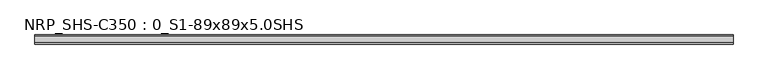
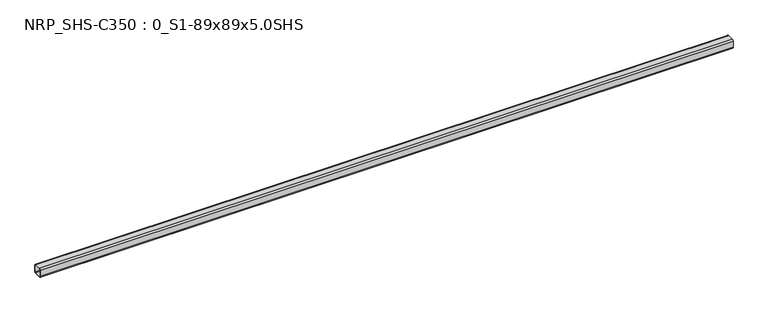
"""IFC4 building model written with IfcOpenShell, lengths in millimetres: beam geometry, NRP_SHS-C350 : 0_S1-89x89x5.0SHS."""

from ifc_helpers import new_model, si_unit, point, frame, frame_2d, origin, place, context, project, spatial, polyline, circle_curve, trimmed, segment, composite_curve, outline, extrude, source, transform, mapped, element, save


def nrp_shs_c350_0_s1_89x89x5_0shs_b3d3ae6e(model_context):
    return source(origin(), model_context, "Body", "SweptSolid", [
        extrude(outline(composite_curve([segment(trimmed(circle_curve(frame_2d((-32.0, 32.0)), 12.5), [point((-44.5, 32.0))], [point((-32.0, 44.5))], False, "CARTESIAN"), True, "CONTINUOUS"), segment(polyline([(-32.0, 44.5), (32.0, 44.5)]), True, "CONTINUOUS"), segment(trimmed(circle_curve(frame_2d((32.0, 32.0)), 12.5), [point((32.0, 44.5))], [point((44.5, 32.0))], False, "CARTESIAN"), True, "CONTINUOUS"), segment(polyline([(44.5, 32.0), (44.5, -32.0)]), True, "CONTINUOUS"), segment(trimmed(circle_curve(frame_2d((32.0, -32.0)), 12.5), [point((44.5, -32.0))], [point((32.0, -44.5))], False, "CARTESIAN"), True, "CONTINUOUS"), segment(polyline([(32.0, -44.5), (-32.0, -44.5)]), True, "CONTINUOUS"), segment(trimmed(circle_curve(frame_2d((-32.0, -32.0)), 12.5), [point((-32.0, -44.5))], [point((-44.5, -32.0))], False, "CARTESIAN"), True, "CONTINUOUS"), segment(polyline([(-44.5, -32.0), (-44.5, 32.0)]), True, "CONTINUOUS")], self_intersect=False), holes=[composite_curve([segment(polyline([(32.0, 39.5), (-32.0, 39.5)]), True, "CONTINUOUS"), segment(trimmed(circle_curve(frame_2d((-32.0, 32.0)), 7.5), [point((-32.0, 39.5))], [point((-39.5, 32.0))], True, "CARTESIAN"), True, "CONTINUOUS"), segment(polyline([(-39.5, 32.0), (-39.5, -32.0)]), True, "CONTINUOUS"), segment(trimmed(circle_curve(frame_2d((-32.0, -32.0)), 7.5), [point((-39.5, -32.0))], [point((-32.0, -39.5))], True, "CARTESIAN"), True, "CONTINUOUS"), segment(polyline([(-32.0, -39.5), (32.0, -39.5)]), True, "CONTINUOUS"), segment(trimmed(circle_curve(frame_2d((32.0, -32.0)), 7.5), [point((32.0, -39.5))], [point((39.5, -32.0))], True, "CARTESIAN"), True, "CONTINUOUS"), segment(polyline([(39.5, -32.0), (39.5, 32.0)]), True, "CONTINUOUS"), segment(trimmed(circle_curve(frame_2d((32.0, 32.0)), 7.5), [point((39.5, 32.0))], [point((32.0, 39.5))], True, "CARTESIAN"), True, "CONTINUOUS")], self_intersect=False)]), frame((-3370.5, 0.0, 0.0), z_axis=(1.0, 0.0, 0.0), x_axis=(0.0, 1.0, 0.0)), (0.0, 0.0, 1.0), 6799.0),
    ])


if __name__ == "__main__":
    model = new_model("IFC4")
    model_context = context("Model", 3, world=origin())
    ifc_project = project(units=[si_unit("LENGTHUNIT", "METRE", prefix="MILLI")], contexts=[model_context])
    site = spatial("IfcSite", under=ifc_project)
    building = spatial("IfcBuilding", under=site)
    placement = place(None, origin())
    nrp_shs_c350_0_s1_89x89x5_0shs_shape = nrp_shs_c350_0_s1_89x89x5_0shs_b3d3ae6e(model_context)
    element("IfcBeam", 1, ObjectType="NRP_SHS-C350 : 0_S1-89x89x5.0SHS", at=placement, inside=building, context=model_context, shape_type="MappedRepresentation", body=[
        mapped(nrp_shs_c350_0_s1_89x89x5_0shs_shape, transform((0.0, 0.0, 0.0), x_axis=(1.0, 0.0, 0.0), y_axis=(0.0, 1.0, 0.0), z_axis=(0.0, 0.0, 1.0))),
    ])
    save(model, "model.ifc")
